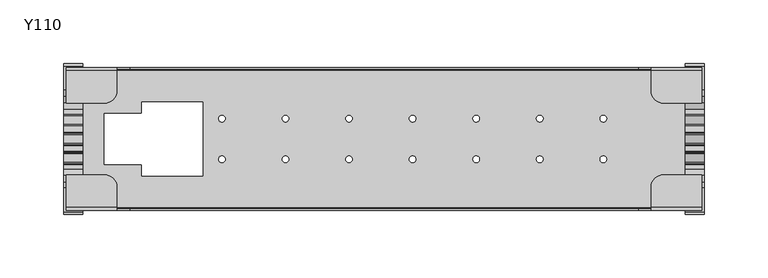
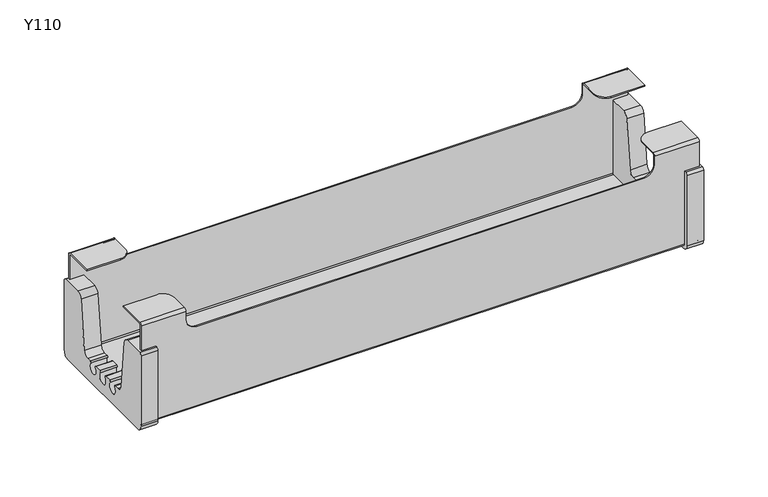
"""IFC4 building model written with IfcOpenShell, lengths in millimetres: furniture geometry, Y110."""

from ifc_helpers import new_model, si_unit, point, frame, frame_2d, origin, place, context, project, spatial, polyline, circle_curve, trimmed, segment, composite_curve, outline, extrude, source, transform, mapped, element, save
from ifc_brep_helpers import plane_surface, cylinder_surface, revolved_surface, advanced_brep


def y110_787002ab(model_context):
    return source(origin(), model_context, "Body", "SolidModel", [
        extrude(outline(composite_curve([segment(trimmed(circle_curve(frame_2d((-38.7033626, 66.0)), 5.0), [point((-38.7033626, 71.0))], [point((-33.7366705, 66.5761676))], False, "CARTESIAN"), True, "CONTINUOUS"), segment(polyline([(-33.7366705, 66.5761676), (-28.4523121, 21.0238324)]), True, "CONTINUOUS"), segment(trimmed(circle_curve(frame_2d((-23.48562, 21.6)), 5.0), [point((-28.4523121, 21.0238324))], [point((-23.48562, 16.6))], True, "CARTESIAN"), True, "CONTINUOUS"), segment(polyline([(-23.48562, 16.6), (-19.5, 16.6)]), True, "CONTINUOUS"), segment(trimmed(circle_curve(frame_2d((-19.5, 15.6)), 1.0), [point((-19.5, 16.6))], [point((-18.75, 14.9385622))], False, "CARTESIAN"), True, "CONTINUOUS"), segment(trimmed(circle_curve(frame_2d((-15.0, 11.631373)), 5.0), [point((-18.75, 14.9385622))], [point((-11.25, 14.9385622))], True, "CARTESIAN"), True, "CONTINUOUS"), segment(trimmed(circle_curve(frame_2d((-10.5, 15.6)), 1.0), [point((-11.25, 14.9385622))], [point((-10.5, 16.6))], False, "CARTESIAN"), True, "CONTINUOUS"), segment(polyline([(-10.5, 16.6), (-4.5, 16.6)]), True, "CONTINUOUS"), segment(trimmed(circle_curve(frame_2d((-4.5, 15.6)), 1.0), [point((-4.5, 16.6))], [point((-3.75, 14.9385622))], False, "CARTESIAN"), True, "CONTINUOUS"), segment(trimmed(circle_curve(frame_2d((0.0, 11.631373)), 5.0), [point((-3.75, 14.9385622))], [point((3.75, 14.9385622))], True, "CARTESIAN"), True, "CONTINUOUS"), segment(trimmed(circle_curve(frame_2d((4.5, 15.6)), 1.0), [point((3.75, 14.9385622))], [point((4.5, 16.6))], False, "CARTESIAN"), True, "CONTINUOUS"), segment(polyline([(4.5, 16.6), (10.5, 16.6)]), True, "CONTINUOUS"), segment(trimmed(circle_curve(frame_2d((10.5, 15.6)), 1.0), [point((10.5, 16.6))], [point((11.25, 14.9385622))], False, "CARTESIAN"), True, "CONTINUOUS"), segment(trimmed(circle_curve(frame_2d((15.0, 11.631373)), 5.0), [point((11.25, 14.9385622))], [point((18.75, 14.9385622))], True, "CARTESIAN"), True, "CONTINUOUS"), segment(trimmed(circle_curve(frame_2d((19.5, 15.6)), 1.0), [point((18.75, 14.9385622))], [point((19.5, 16.6))], False, "CARTESIAN"), True, "CONTINUOUS"), segment(polyline([(19.5, 16.6), (23.48562, 16.6)]), True, "CONTINUOUS"), segment(trimmed(circle_curve(frame_2d((23.48562, 21.6)), 5.0), [point((23.48562, 16.6))], [point((28.4523121, 21.0238324))], True, "CARTESIAN"), True, "CONTINUOUS"), segment(polyline([(28.4523121, 21.0238324), (33.7366705, 66.5761676)]), True, "CONTINUOUS"), segment(trimmed(circle_curve(frame_2d((38.7033626, 66.0)), 5.0), [point((33.7366705, 66.5761676))], [point((38.7033626, 71.0))], False, "CARTESIAN"), True, "CONTINUOUS"), segment(polyline([(38.7033626, 71.0), (57.45, 71.0)]), True, "CONTINUOUS"), segment(trimmed(circle_curve(frame_2d((57.45, 69.0)), 2.0), [point((57.45, 71.0))], [point((59.45, 69.0))], False, "CARTESIAN"), True, "CONTINUOUS"), segment(polyline([(59.45, 69.0), (59.45, 2.2)]), True, "CONTINUOUS"), segment(trimmed(circle_curve(frame_2d((54.05, 2.2)), 5.4), [point((59.45, 2.2))], [point((54.05, -3.2))], False, "CARTESIAN"), True, "CONTINUOUS"), segment(polyline([(54.05, -3.2), (-54.05, -3.2)]), True, "CONTINUOUS"), segment(trimmed(circle_curve(frame_2d((-54.05, 2.2)), 5.4), [point((-54.05, -3.2))], [point((-59.45, 2.2))], False, "CARTESIAN"), True, "CONTINUOUS"), segment(polyline([(-59.45, 2.2), (-59.45, 69.0)]), True, "CONTINUOUS"), segment(trimmed(circle_curve(frame_2d((-57.45, 69.0)), 2.0), [point((-59.45, 69.0))], [point((-57.45, 71.0))], False, "CARTESIAN"), True, "CONTINUOUS"), segment(polyline([(-57.45, 71.0), (-38.7033626, 71.0)]), True, "CONTINUOUS")], self_intersect=False)), frame((-252.0, 0.0, 0.0), z_axis=(1.0, 0.0, 0.0), x_axis=(0.0, 1.0, 0.0)), (0.0, 0.0, 1.0), 15.0),
        extrude(outline(composite_curve([segment(trimmed(circle_curve(frame_2d((-38.7033626, 66.0)), 5.0), [point((-38.7033626, 71.0))], [point((-33.7366705, 66.5761676))], False, "CARTESIAN"), True, "CONTINUOUS"), segment(polyline([(-33.7366705, 66.5761676), (-28.4523121, 21.0238324)]), True, "CONTINUOUS"), segment(trimmed(circle_curve(frame_2d((-23.48562, 21.6)), 5.0), [point((-28.4523121, 21.0238324))], [point((-23.48562, 16.6))], True, "CARTESIAN"), True, "CONTINUOUS"), segment(polyline([(-23.48562, 16.6), (-19.5, 16.6)]), True, "CONTINUOUS"), segment(trimmed(circle_curve(frame_2d((-19.5, 15.6)), 1.0), [point((-19.5, 16.6))], [point((-18.75, 14.9385622))], False, "CARTESIAN"), True, "CONTINUOUS"), segment(trimmed(circle_curve(frame_2d((-15.0, 11.631373)), 5.0), [point((-18.75, 14.9385622))], [point((-11.25, 14.9385622))], True, "CARTESIAN"), True, "CONTINUOUS"), segment(trimmed(circle_curve(frame_2d((-10.5, 15.6)), 1.0), [point((-11.25, 14.9385622))], [point((-10.5, 16.6))], False, "CARTESIAN"), True, "CONTINUOUS"), segment(polyline([(-10.5, 16.6), (-4.5, 16.6)]), True, "CONTINUOUS"), segment(trimmed(circle_curve(frame_2d((-4.5, 15.6)), 1.0), [point((-4.5, 16.6))], [point((-3.75, 14.9385622))], False, "CARTESIAN"), True, "CONTINUOUS"), segment(trimmed(circle_curve(frame_2d((0.0, 11.631373)), 5.0), [point((-3.75, 14.9385622))], [point((3.75, 14.9385622))], True, "CARTESIAN"), True, "CONTINUOUS"), segment(trimmed(circle_curve(frame_2d((4.5, 15.6)), 1.0), [point((3.75, 14.9385622))], [point((4.5, 16.6))], False, "CARTESIAN"), True, "CONTINUOUS"), segment(polyline([(4.5, 16.6), (10.5, 16.6)]), True, "CONTINUOUS"), segment(trimmed(circle_curve(frame_2d((10.5, 15.6)), 1.0), [point((10.5, 16.6))], [point((11.25, 14.9385622))], False, "CARTESIAN"), True, "CONTINUOUS"), segment(trimmed(circle_curve(frame_2d((15.0, 11.631373)), 5.0), [point((11.25, 14.9385622))], [point((18.75, 14.9385622))], True, "CARTESIAN"), True, "CONTINUOUS"), segment(trimmed(circle_curve(frame_2d((19.5, 15.6)), 1.0), [point((18.75, 14.9385622))], [point((19.5, 16.6))], False, "CARTESIAN"), True, "CONTINUOUS"), segment(polyline([(19.5, 16.6), (23.48562, 16.6)]), True, "CONTINUOUS"), segment(trimmed(circle_curve(frame_2d((23.48562, 21.6)), 5.0), [point((23.48562, 16.6))], [point((28.4523121, 21.0238324))], True, "CARTESIAN"), True, "CONTINUOUS"), segment(polyline([(28.4523121, 21.0238324), (33.7366705, 66.5761676)]), True, "CONTINUOUS"), segment(trimmed(circle_curve(frame_2d((38.7033626, 66.0)), 5.0), [point((33.7366705, 66.5761676))], [point((38.7033626, 71.0))], False, "CARTESIAN"), True, "CONTINUOUS"), segment(polyline([(38.7033626, 71.0), (57.45, 71.0)]), True, "CONTINUOUS"), segment(trimmed(circle_curve(frame_2d((57.45, 69.0)), 2.0), [point((57.45, 71.0))], [point((59.45, 69.0))], False, "CARTESIAN"), True, "CONTINUOUS"), segment(polyline([(59.45, 69.0), (59.45, 2.2)]), True, "CONTINUOUS"), segment(trimmed(circle_curve(frame_2d((54.05, 2.2)), 5.4), [point((59.45, 2.2))], [point((54.05, -3.2))], False, "CARTESIAN"), True, "CONTINUOUS"), segment(polyline([(54.05, -3.2), (-54.05, -3.2)]), True, "CONTINUOUS"), segment(trimmed(circle_curve(frame_2d((-54.05, 2.2)), 5.4), [point((-54.05, -3.2))], [point((-59.45, 2.2))], False, "CARTESIAN"), True, "CONTINUOUS"), segment(polyline([(-59.45, 2.2), (-59.45, 69.0)]), True, "CONTINUOUS"), segment(trimmed(circle_curve(frame_2d((-57.45, 69.0)), 2.0), [point((-59.45, 69.0))], [point((-57.45, 71.0))], False, "CARTESIAN"), True, "CONTINUOUS"), segment(polyline([(-57.45, 71.0), (-38.7033626, 71.0)]), True, "CONTINUOUS")], self_intersect=False)), frame((237.0, 0.0, 0.0), z_axis=(1.0, 0.0, 0.0), x_axis=(0.0, 1.0, 0.0)), (0.0, 0.0, 1.0), 15.0),
        advanced_brep(
        [(250.0, -54.05, 97.0), (250.0, -56.25, 94.8), (250.0, -56.25, 2.2), (250.0, -54.05, 0.0), (250.0, 54.05, 0.0), (250.0, 56.25, 2.2), (250.0, 56.25, 94.8), (250.0, 54.05, 97.0), (250.0, 28.25, 97.0), (250.0, 28.25, 95.8), (250.0, 54.05, 95.8), (250.0, 55.05, 94.8), (250.0, 55.05, 2.2), (250.0, 54.05, 1.2), (250.0, -54.05, 1.2), (250.0, -55.05, 2.2), (250.0, -55.05, 94.8), (250.0, -54.05, 95.8), (250.0, -28.25, 95.8), (250.0, -28.25, 97.0), (-250.0, -54.05, 97.0), (-250.0, -28.25, 97.0), (-250.0, -28.25, 95.8), (-250.0, -54.05, 95.8), (-250.0, -55.05, 94.8), (-250.0, -55.05, 2.2), (-250.0, -54.05, 1.2), (-250.0, 54.05, 1.2), (-250.0, 55.05, 2.2), (-250.0, 55.05, 94.8), (-250.0, 54.05, 95.8), (-250.0, 28.25, 95.8), (-250.0, 28.25, 97.0), (-250.0, 54.05, 97.0), (-250.0, 56.25, 94.8), (-250.0, 56.25, 2.2), (-250.0, 54.05, 0.0), (-250.0, -54.05, 0.0), (-250.0, -56.25, 2.2), (-250.0, -56.25, 94.8), (210.0, -54.05, 97.0), (210.0, -56.25, 94.8), (-210.0, -56.25, 94.8), (-210.0, -54.05, 97.0), (210.0, -56.25, 87.0), (200.0, -56.25, 77.0), (-200.0, -56.25, 77.0), (-210.0, -56.25, 87.0), (-190.5, 20.0, 0.0), (-220.0, 20.0, 0.0), (-220.0, -20.0, 0.0), (-190.5, -20.0, 0.0), (-190.5, -29.0, 0.0), (-142.5, -29.0, 0.0), (-142.5, 29.0, 0.0), (-190.5, 29.0, 0.0), (-127.5, 18.6, 0.0), (-127.5, 13.4, 0.0), (-127.5, -13.4, 0.0), (-127.5, -18.6, 0.0), (-77.5, 18.6, 0.0), (-77.5, 13.4, 0.0), (-77.5, -13.4, 0.0), (-77.5, -18.6, 0.0), (-27.5, 18.6, 0.0), (-27.5, 13.4, 0.0), (-27.5, -13.4, 0.0), (-27.5, -18.6, 0.0), (22.5, 18.6, 0.0), (22.5, 13.4, 0.0), (22.5, -13.4, 0.0), (22.5, -18.6, 0.0), (72.5, 18.6, 0.0), (72.5, 13.4, 0.0), (72.5, -13.4, 0.0), (72.5, -18.6, 0.0), (122.5, 18.6, 0.0), (122.5, 13.4, 0.0), (122.5, -13.4, 0.0), (122.5, -18.6, 0.0), (172.5, 18.6, 0.0), (172.5, 13.4, 0.0), (172.5, -13.4, 0.0), (172.5, -18.6, 0.0), (-210.0, 56.25, 94.8), (-210.0, 56.25, 87.0), (-200.0, 56.25, 77.0), (200.0, 56.25, 77.0), (210.0, 56.25, 87.0), (210.0, 56.25, 94.8), (210.0, 54.05, 97.0), (-210.0, 54.05, 97.0), (210.0, 38.25, 97.0), (220.0, 28.25, 97.0), (-220.0, 28.25, 97.0), (-210.0, 38.25, 97.0), (220.0, 28.25, 95.8), (-220.0, 28.25, 95.8), (210.0, 38.25, 95.8), (210.0, 54.05, 95.8), (-210.0, 54.05, 95.8), (-210.0, 38.25, 95.8), (210.0, 55.05, 94.8), (-210.0, 55.05, 94.8), (210.0, 55.05, 87.0), (200.0, 55.05, 77.0), (-200.0, 55.05, 77.0), (-210.0, 55.05, 87.0), (-220.0, 20.0, 1.2), (-190.5, 20.0, 1.2), (-190.5, 29.0, 1.2), (-142.5, 29.0, 1.2), (-142.5, -29.0, 1.2), (-190.5, -29.0, 1.2), (-190.5, -20.0, 1.2), (-220.0, -20.0, 1.2), (-127.5, 13.4, 1.2), (-127.5, 18.6, 1.2), (-127.5, -18.6, 1.2), (-127.5, -13.4, 1.2), (-77.5, 13.4, 1.2), (-77.5, 18.6, 1.2), (-77.5, -18.6, 1.2), (-77.5, -13.4, 1.2), (-27.5, 13.4, 1.2), (-27.5, 18.6, 1.2), (-27.5, -18.6, 1.2), (-27.5, -13.4, 1.2), (22.5, 13.4, 1.2), (22.5, 18.6, 1.2), (22.5, -18.6, 1.2), (22.5, -13.4, 1.2), (72.5, 13.4, 1.2), (72.5, 18.6, 1.2), (72.5, -18.6, 1.2), (72.5, -13.4, 1.2), (122.5, 13.4, 1.2), (122.5, 18.6, 1.2), (122.5, -18.6, 1.2), (122.5, -13.4, 1.2), (172.5, 13.4, 1.2), (172.5, 18.6, 1.2), (172.5, -18.6, 1.2), (172.5, -13.4, 1.2), (-210.0, -55.05, 94.8), (-210.0, -55.05, 87.0), (-200.0, -55.05, 77.0), (200.0, -55.05, 77.0), (210.0, -55.05, 87.0), (210.0, -55.05, 94.8), (210.0, -54.05, 95.8), (-210.0, -54.05, 95.8), (210.0, -38.25, 95.8), (220.0, -28.25, 95.8), (-220.0, -28.25, 95.8), (-210.0, -38.25, 95.8), (220.0, -28.25, 97.0), (-220.0, -28.25, 97.0), (210.0, -38.25, 97.0), (-210.0, -38.25, 97.0)],
        [
            (0, 1, circle_curve(frame((250.0, -54.05, 94.8), z_axis=(1.0, 0.0, 0.0), x_axis=(0.0, 1.0, 0.0)), 2.2)),
            (1, 2),
            (2, 3, circle_curve(frame((250.0, -54.05, 2.2), z_axis=(1.0, 0.0, 0.0), x_axis=(0.0, 1.0, 0.0)), 2.2)),
            (3, 4),
            (4, 5, circle_curve(frame((250.0, 54.05, 2.2), z_axis=(1.0, 0.0, 0.0), x_axis=(0.0, 1.0, 0.0)), 2.2)),
            (5, 6),
            (6, 7, circle_curve(frame((250.0, 54.05, 94.8), z_axis=(1.0, 0.0, 0.0), x_axis=(0.0, 1.0, 0.0)), 2.2)),
            (7, 8),
            (8, 9),
            (9, 10),
            (10, 11, circle_curve(frame((250.0, 54.05, 94.8), z_axis=(-1.0, 0.0, 0.0), x_axis=(0.0, 1.0, 0.0)), 1.0)),
            (11, 12),
            (12, 13, circle_curve(frame((250.0, 54.05, 2.2), z_axis=(-1.0, 0.0, 0.0), x_axis=(0.0, 1.0, 0.0)), 1.0)),
            (13, 14),
            (14, 15, circle_curve(frame((250.0, -54.05, 2.2), z_axis=(-1.0, 0.0, 0.0), x_axis=(0.0, 1.0, 0.0)), 1.0)),
            (15, 16),
            (16, 17, circle_curve(frame((250.0, -54.05, 94.8), z_axis=(-1.0, 0.0, 0.0), x_axis=(0.0, 1.0, 0.0)), 1.0)),
            (17, 18),
            (18, 19),
            (19, 0),
            (20, 21),
            (21, 22),
            (22, 23),
            (23, 24, circle_curve(frame((-250.0, -54.05, 94.8), z_axis=(1.0, 0.0, 0.0), x_axis=(0.0, 1.0, 0.0)), 1.0)),
            (24, 25),
            (25, 26, circle_curve(frame((-250.0, -54.05, 2.2), z_axis=(1.0, 0.0, 0.0), x_axis=(0.0, 1.0, 0.0)), 1.0)),
            (26, 27),
            (27, 28, circle_curve(frame((-250.0, 54.05, 2.2), z_axis=(1.0, 0.0, 0.0), x_axis=(0.0, 1.0, 0.0)), 1.0)),
            (28, 29),
            (29, 30, circle_curve(frame((-250.0, 54.05, 94.8), z_axis=(1.0, 0.0, 0.0), x_axis=(0.0, 1.0, 0.0)), 1.0)),
            (30, 31),
            (31, 32),
            (32, 33),
            (33, 34, circle_curve(frame((-250.0, 54.05, 94.8), z_axis=(-1.0, 0.0, 0.0), x_axis=(0.0, 1.0, 0.0)), 2.2)),
            (34, 35),
            (35, 36, circle_curve(frame((-250.0, 54.05, 2.2), z_axis=(-1.0, 0.0, 0.0), x_axis=(0.0, 1.0, 0.0)), 2.2)),
            (36, 37),
            (37, 38, circle_curve(frame((-250.0, -54.05, 2.2), z_axis=(-1.0, 0.0, 0.0), x_axis=(0.0, 1.0, 0.0)), 2.2)),
            (38, 39),
            (39, 20, circle_curve(frame((-250.0, -54.05, 94.8), z_axis=(-1.0, 0.0, 0.0), x_axis=(0.0, 1.0, 0.0)), 2.2)),
            (0, 40),
            (40, 41, circle_curve(frame((210.0, -54.05, 94.8), z_axis=(1.0, 0.0, 0.0), x_axis=(0.0, 1.0, 0.0)), 2.2)),
            (41, 1),
            (39, 42),
            (42, 43, circle_curve(frame((-210.0, -54.05, 94.8), z_axis=(-1.0, 0.0, 0.0), x_axis=(0.0, 1.0, 0.0)), 2.2)),
            (43, 20),
            (41, 44),
            (44, 45, circle_curve(frame((200.0, -56.25, 87.0), z_axis=(0.0, 1.0, 0.0), x_axis=(1.0, 0.0, 0.0)), 10.0)),
            (45, 46),
            (46, 47, circle_curve(frame((-200.0, -56.25, 87.0), z_axis=(0.0, 1.0, 0.0), x_axis=(1.0, 0.0, 0.0)), 10.0)),
            (47, 42),
            (38, 2),
            (37, 3),
            (36, 4),
            (48, 49),
            (49, 50),
            (50, 51),
            (51, 52),
            (52, 53),
            (53, 54),
            (54, 55),
            (55, 48),
            (56, 57, circle_curve(frame((-127.5, 16.0, 0.0), z_axis=(0.0, 0.0, 1.0), x_axis=(0.0, -1.0, 0.0)), 2.6)),
            (57, 56, circle_curve(frame((-127.5, 16.0, 0.0), z_axis=(0.0, 0.0, 1.0), x_axis=(0.0, -1.0, 0.0)), 2.6)),
            (58, 59, circle_curve(frame((-127.5, -16.0, 0.0), z_axis=(0.0, 0.0, 1.0), x_axis=(0.0, -1.0, 0.0)), 2.6)),
            (59, 58, circle_curve(frame((-127.5, -16.0, 0.0), z_axis=(0.0, 0.0, 1.0), x_axis=(0.0, -1.0, 0.0)), 2.6)),
            (60, 61, circle_curve(frame((-77.5, 16.0, 0.0), z_axis=(0.0, 0.0, 1.0), x_axis=(0.0, -1.0, 0.0)), 2.6)),
            (61, 60, circle_curve(frame((-77.5, 16.0, 0.0), z_axis=(0.0, 0.0, 1.0), x_axis=(0.0, -1.0, 0.0)), 2.6)),
            (62, 63, circle_curve(frame((-77.5, -16.0, 0.0), z_axis=(0.0, 0.0, 1.0), x_axis=(0.0, -1.0, 0.0)), 2.6)),
            (63, 62, circle_curve(frame((-77.5, -16.0, 0.0), z_axis=(0.0, 0.0, 1.0), x_axis=(0.0, -1.0, 0.0)), 2.6)),
            (64, 65, circle_curve(frame((-27.5, 16.0, 0.0), z_axis=(0.0, 0.0, 1.0), x_axis=(0.0, -1.0, 0.0)), 2.6)),
            (65, 64, circle_curve(frame((-27.5, 16.0, 0.0), z_axis=(0.0, 0.0, 1.0), x_axis=(0.0, -1.0, 0.0)), 2.6)),
            (66, 67, circle_curve(frame((-27.5, -16.0, 0.0), z_axis=(0.0, 0.0, 1.0), x_axis=(0.0, -1.0, 0.0)), 2.6)),
            (67, 66, circle_curve(frame((-27.5, -16.0, 0.0), z_axis=(0.0, 0.0, 1.0), x_axis=(0.0, -1.0, 0.0)), 2.6)),
            (68, 69, circle_curve(frame((22.5, 16.0, 0.0), z_axis=(0.0, 0.0, 1.0), x_axis=(0.0, -1.0, 0.0)), 2.6)),
            (69, 68, circle_curve(frame((22.5, 16.0, 0.0), z_axis=(0.0, 0.0, 1.0), x_axis=(0.0, -1.0, 0.0)), 2.6)),
            (70, 71, circle_curve(frame((22.5, -16.0, 0.0), z_axis=(0.0, 0.0, 1.0), x_axis=(0.0, -1.0, 0.0)), 2.6)),
            (71, 70, circle_curve(frame((22.5, -16.0, 0.0), z_axis=(0.0, 0.0, 1.0), x_axis=(0.0, -1.0, 0.0)), 2.6)),
            (72, 73, circle_curve(frame((72.5, 16.0, 0.0), z_axis=(0.0, 0.0, 1.0), x_axis=(0.0, -1.0, 0.0)), 2.6)),
            (73, 72, circle_curve(frame((72.5, 16.0, 0.0), z_axis=(0.0, 0.0, 1.0), x_axis=(0.0, -1.0, 0.0)), 2.6)),
            (74, 75, circle_curve(frame((72.5, -16.0, 0.0), z_axis=(0.0, 0.0, 1.0), x_axis=(0.0, -1.0, 0.0)), 2.6)),
            (75, 74, circle_curve(frame((72.5, -16.0, 0.0), z_axis=(0.0, 0.0, 1.0), x_axis=(0.0, -1.0, 0.0)), 2.6)),
            (76, 77, circle_curve(frame((122.5, 16.0, 0.0), z_axis=(0.0, 0.0, 1.0), x_axis=(0.0, -1.0, 0.0)), 2.6)),
            (77, 76, circle_curve(frame((122.5, 16.0, 0.0), z_axis=(0.0, 0.0, 1.0), x_axis=(0.0, -1.0, 0.0)), 2.6)),
            (78, 79, circle_curve(frame((122.5, -16.0, 0.0), z_axis=(0.0, 0.0, 1.0), x_axis=(0.0, -1.0, 0.0)), 2.6)),
            (79, 78, circle_curve(frame((122.5, -16.0, 0.0), z_axis=(0.0, 0.0, 1.0), x_axis=(0.0, -1.0, 0.0)), 2.6)),
            (80, 81, circle_curve(frame((172.5, 16.0, 0.0), z_axis=(0.0, 0.0, 1.0), x_axis=(0.0, -1.0, 0.0)), 2.6)),
            (81, 80, circle_curve(frame((172.5, 16.0, 0.0), z_axis=(0.0, 0.0, 1.0), x_axis=(0.0, -1.0, 0.0)), 2.6)),
            (82, 83, circle_curve(frame((172.5, -16.0, 0.0), z_axis=(0.0, 0.0, 1.0), x_axis=(0.0, -1.0, 0.0)), 2.6)),
            (83, 82, circle_curve(frame((172.5, -16.0, 0.0), z_axis=(0.0, 0.0, 1.0), x_axis=(0.0, -1.0, 0.0)), 2.6)),
            (35, 5),
            (34, 84),
            (84, 85),
            (85, 86, circle_curve(frame((-200.0, 56.25, 87.0), z_axis=(0.0, -1.0, 0.0), x_axis=(1.0, 0.0, 0.0)), 10.0)),
            (86, 87),
            (87, 88, circle_curve(frame((200.0, 56.25, 87.0), z_axis=(0.0, -1.0, 0.0), x_axis=(1.0, 0.0, 0.0)), 10.0)),
            (88, 89),
            (89, 6),
            (89, 90, circle_curve(frame((210.0, 54.05, 94.8), z_axis=(1.0, 0.0, 0.0), x_axis=(0.0, 1.0, 0.0)), 2.2)),
            (90, 7),
            (33, 91),
            (91, 84, circle_curve(frame((-210.0, 54.05, 94.8), z_axis=(-1.0, 0.0, 0.0), x_axis=(0.0, 1.0, 0.0)), 2.2)),
            (90, 92),
            (92, 93, circle_curve(frame((220.0, 38.25, 97.0), z_axis=(0.0, 0.0, 1.0), x_axis=(0.0, -1.0, 0.0)), 10.0)),
            (93, 8),
            (32, 94),
            (94, 95, circle_curve(frame((-220.0, 38.25, 97.0), z_axis=(0.0, 0.0, 1.0), x_axis=(0.0, -1.0, 0.0)), 10.0)),
            (95, 91),
            (93, 96),
            (96, 9),
            (31, 97),
            (97, 94),
            (96, 98, circle_curve(frame((220.0, 38.25, 95.8), z_axis=(0.0, 0.0, -1.0), x_axis=(0.0, -1.0, 0.0)), 10.0)),
            (98, 99),
            (99, 10),
            (30, 100),
            (100, 101),
            (101, 97, circle_curve(frame((-220.0, 38.25, 95.8), z_axis=(0.0, 0.0, -1.0), x_axis=(0.0, -1.0, 0.0)), 10.0)),
            (99, 102, circle_curve(frame((210.0, 54.05, 94.8), z_axis=(-1.0, 0.0, 0.0), x_axis=(0.0, 1.0, 0.0)), 1.0)),
            (102, 11),
            (29, 103),
            (103, 100, circle_curve(frame((-210.0, 54.05, 94.8), z_axis=(1.0, 0.0, 0.0), x_axis=(0.0, 1.0, 0.0)), 1.0)),
            (102, 104),
            (104, 105, circle_curve(frame((200.0, 55.05, 87.0), z_axis=(0.0, 1.0, 0.0), x_axis=(1.0, 0.0, 0.0)), 10.0)),
            (105, 106),
            (106, 107, circle_curve(frame((-200.0, 55.05, 87.0), z_axis=(0.0, 1.0, 0.0), x_axis=(1.0, 0.0, 0.0)), 10.0)),
            (107, 103),
            (28, 12),
            (27, 13),
            (26, 14),
            (108, 109),
            (109, 110),
            (110, 111),
            (111, 112),
            (112, 113),
            (113, 114),
            (114, 115),
            (115, 108),
            (116, 117, circle_curve(frame((-127.5, 16.0, 1.2), z_axis=(0.0, 0.0, -1.0), x_axis=(0.0, -1.0, 0.0)), 2.6)),
            (117, 116, circle_curve(frame((-127.5, 16.0, 1.2), z_axis=(0.0, 0.0, -1.0), x_axis=(0.0, -1.0, 0.0)), 2.6)),
            (118, 119, circle_curve(frame((-127.5, -16.0, 1.2), z_axis=(0.0, 0.0, -1.0), x_axis=(0.0, -1.0, 0.0)), 2.6)),
            (119, 118, circle_curve(frame((-127.5, -16.0, 1.2), z_axis=(0.0, 0.0, -1.0), x_axis=(0.0, -1.0, 0.0)), 2.6)),
            (120, 121, circle_curve(frame((-77.5, 16.0, 1.2), z_axis=(0.0, 0.0, -1.0), x_axis=(0.0, -1.0, 0.0)), 2.6)),
            (121, 120, circle_curve(frame((-77.5, 16.0, 1.2), z_axis=(0.0, 0.0, -1.0), x_axis=(0.0, -1.0, 0.0)), 2.6)),
            (122, 123, circle_curve(frame((-77.5, -16.0, 1.2), z_axis=(0.0, 0.0, -1.0), x_axis=(0.0, -1.0, 0.0)), 2.6)),
            (123, 122, circle_curve(frame((-77.5, -16.0, 1.2), z_axis=(0.0, 0.0, -1.0), x_axis=(0.0, -1.0, 0.0)), 2.6)),
            (124, 125, circle_curve(frame((-27.5, 16.0, 1.2), z_axis=(0.0, 0.0, -1.0), x_axis=(0.0, -1.0, 0.0)), 2.6)),
            (125, 124, circle_curve(frame((-27.5, 16.0, 1.2), z_axis=(0.0, 0.0, -1.0), x_axis=(0.0, -1.0, 0.0)), 2.6)),
            (126, 127, circle_curve(frame((-27.5, -16.0, 1.2), z_axis=(0.0, 0.0, -1.0), x_axis=(0.0, -1.0, 0.0)), 2.6)),
            (127, 126, circle_curve(frame((-27.5, -16.0, 1.2), z_axis=(0.0, 0.0, -1.0), x_axis=(0.0, -1.0, 0.0)), 2.6)),
            (128, 129, circle_curve(frame((22.5, 16.0, 1.2), z_axis=(0.0, 0.0, -1.0), x_axis=(0.0, -1.0, 0.0)), 2.6)),
            (129, 128, circle_curve(frame((22.5, 16.0, 1.2), z_axis=(0.0, 0.0, -1.0), x_axis=(0.0, -1.0, 0.0)), 2.6)),
            (130, 131, circle_curve(frame((22.5, -16.0, 1.2), z_axis=(0.0, 0.0, -1.0), x_axis=(0.0, -1.0, 0.0)), 2.6)),
            (131, 130, circle_curve(frame((22.5, -16.0, 1.2), z_axis=(0.0, 0.0, -1.0), x_axis=(0.0, -1.0, 0.0)), 2.6)),
            (132, 133, circle_curve(frame((72.5, 16.0, 1.2), z_axis=(0.0, 0.0, -1.0), x_axis=(0.0, -1.0, 0.0)), 2.6)),
            (133, 132, circle_curve(frame((72.5, 16.0, 1.2), z_axis=(0.0, 0.0, -1.0), x_axis=(0.0, -1.0, 0.0)), 2.6)),
            (134, 135, circle_curve(frame((72.5, -16.0, 1.2), z_axis=(0.0, 0.0, -1.0), x_axis=(0.0, -1.0, 0.0)), 2.6)),
            (135, 134, circle_curve(frame((72.5, -16.0, 1.2), z_axis=(0.0, 0.0, -1.0), x_axis=(0.0, -1.0, 0.0)), 2.6)),
            (136, 137, circle_curve(frame((122.5, 16.0, 1.2), z_axis=(0.0, 0.0, -1.0), x_axis=(0.0, -1.0, 0.0)), 2.6)),
            (137, 136, circle_curve(frame((122.5, 16.0, 1.2), z_axis=(0.0, 0.0, -1.0), x_axis=(0.0, -1.0, 0.0)), 2.6)),
            (138, 139, circle_curve(frame((122.5, -16.0, 1.2), z_axis=(0.0, 0.0, -1.0), x_axis=(0.0, -1.0, 0.0)), 2.6)),
            (139, 138, circle_curve(frame((122.5, -16.0, 1.2), z_axis=(0.0, 0.0, -1.0), x_axis=(0.0, -1.0, 0.0)), 2.6)),
            (140, 141, circle_curve(frame((172.5, 16.0, 1.2), z_axis=(0.0, 0.0, -1.0), x_axis=(0.0, -1.0, 0.0)), 2.6)),
            (141, 140, circle_curve(frame((172.5, 16.0, 1.2), z_axis=(0.0, 0.0, -1.0), x_axis=(0.0, -1.0, 0.0)), 2.6)),
            (142, 143, circle_curve(frame((172.5, -16.0, 1.2), z_axis=(0.0, 0.0, -1.0), x_axis=(0.0, -1.0, 0.0)), 2.6)),
            (143, 142, circle_curve(frame((172.5, -16.0, 1.2), z_axis=(0.0, 0.0, -1.0), x_axis=(0.0, -1.0, 0.0)), 2.6)),
            (25, 15),
            (24, 144),
            (144, 145),
            (145, 146, circle_curve(frame((-200.0, -55.05, 87.0), z_axis=(0.0, -1.0, 0.0), x_axis=(1.0, 0.0, 0.0)), 10.0)),
            (146, 147),
            (147, 148, circle_curve(frame((200.0, -55.05, 87.0), z_axis=(0.0, -1.0, 0.0), x_axis=(1.0, 0.0, 0.0)), 10.0)),
            (148, 149),
            (149, 16),
            (149, 150, circle_curve(frame((210.0, -54.05, 94.8), z_axis=(-1.0, 0.0, 0.0), x_axis=(0.0, 1.0, 0.0)), 1.0)),
            (150, 17),
            (23, 151),
            (151, 144, circle_curve(frame((-210.0, -54.05, 94.8), z_axis=(1.0, 0.0, 0.0), x_axis=(0.0, 1.0, 0.0)), 1.0)),
            (150, 152),
            (152, 153, circle_curve(frame((220.0, -38.25, 95.8), z_axis=(0.0, 0.0, -1.0), x_axis=(0.0, -1.0, 0.0)), 10.0)),
            (153, 18),
            (22, 154),
            (154, 155, circle_curve(frame((-220.0, -38.25, 95.8), z_axis=(0.0, 0.0, -1.0), x_axis=(0.0, -1.0, 0.0)), 10.0)),
            (155, 151),
            (153, 156),
            (156, 19),
            (21, 157),
            (157, 154),
            (156, 158, circle_curve(frame((220.0, -38.25, 97.0), z_axis=(0.0, 0.0, 1.0), x_axis=(0.0, -1.0, 0.0)), 10.0)),
            (158, 40),
            (43, 159),
            (159, 157, circle_curve(frame((-220.0, -38.25, 97.0), z_axis=(0.0, 0.0, 1.0), x_axis=(0.0, -1.0, 0.0)), 10.0)),
            (159, 155),
            (47, 145),
            (158, 152),
            (148, 44),
            (92, 98),
            (88, 104),
            (95, 101),
            (107, 85),
            (106, 86),
            (46, 146),
            (105, 87),
            (45, 147),
            (48, 109),
            (108, 49),
            (115, 50),
            (114, 51),
            (113, 52),
            (112, 53),
            (111, 54),
            (110, 55),
            (56, 117),
            (116, 57),
            (58, 119),
            (118, 59),
            (60, 121),
            (120, 61),
            (62, 123),
            (122, 63),
            (64, 125),
            (124, 65),
            (66, 127),
            (126, 67),
            (68, 129),
            (128, 69),
            (70, 131),
            (130, 71),
            (72, 133),
            (132, 73),
            (74, 135),
            (134, 75),
            (76, 137),
            (136, 77),
            (78, 139),
            (138, 79),
            (80, 141),
            (140, 81),
            (82, 143),
            (142, 83),
        ],
        [
            plane_surface(frame((250.0, -51.85, 94.8), z_axis=(1.0, 0.0, 0.0), x_axis=(0.0, 0.0, 1.0))),
            plane_surface(frame((-250.0, -51.85, 94.8), z_axis=(-1.0, 0.0, 0.0), x_axis=(0.0, 0.0, -1.0))),
            cylinder_surface(frame((-250.0, -54.05, 94.8), z_axis=(1.0, 0.0, 0.0), x_axis=(0.0, 1.0, 0.0)), 2.2),
            plane_surface(frame((250.0, -56.25, 94.8), z_axis=(0.0, -1.0, 0.0), x_axis=(-1.0, 0.0, 0.0))),
            cylinder_surface(frame((-250.0, -54.05, 2.2), z_axis=(1.0, 0.0, 0.0), x_axis=(0.0, 1.0, 0.0)), 2.2),
            plane_surface(frame((250.0, -54.05, 0.0), z_axis=(0.0, 0.0, -1.0), x_axis=(-1.0, 0.0, 0.0))),
            cylinder_surface(frame((-250.0, 54.05, 2.2), z_axis=(1.0, 0.0, 0.0), x_axis=(0.0, 1.0, 0.0)), 2.2),
            plane_surface(frame((250.0, 56.25, 2.2), z_axis=(0.0, 1.0, 0.0), x_axis=(-1.0, 0.0, 0.0))),
            cylinder_surface(frame((-250.0, 54.05, 94.8), z_axis=(1.0, 0.0, 0.0), x_axis=(0.0, 1.0, 0.0)), 2.2),
            plane_surface(frame((250.0, 54.05, 97.0), z_axis=(0.0, 0.0, 1.0), x_axis=(-1.0, 0.0, 0.0))),
            plane_surface(frame((250.0, 28.25, 97.0), z_axis=(0.0, -1.0, 0.0), x_axis=(-1.0, 0.0, 0.0))),
            plane_surface(frame((250.0, 28.25, 95.8), z_axis=(0.0, 0.0, -1.0), x_axis=(-1.0, 0.0, 0.0))),
            revolved_surface(polyline([(210.0, 55.05, 94.8), (250.0, 55.05, 94.8)]), (-250.0, 54.05, 94.8), (-1.0, 0.0, 0.0)),
            revolved_surface(polyline([(-250.0, 55.05, 94.8), (-210.0, 55.05, 94.8)]), (-250.0, 54.05, 94.8), (-1.0, 0.0, 0.0)),
            plane_surface(frame((250.0, 55.05, 94.8), z_axis=(0.0, -1.0, 0.0), x_axis=(-1.0, 0.0, 0.0))),
            revolved_surface(polyline([(-250.0, 55.05, 2.2), (250.0, 55.05, 2.2)]), (-250.0, 54.05, 2.2), (-1.0, 0.0, 0.0)),
            plane_surface(frame((250.0, 54.05, 1.2), z_axis=(0.0, 0.0, 1.0), x_axis=(-1.0, 0.0, 0.0))),
            revolved_surface(polyline([(-250.0, -53.05, 2.2), (250.0, -53.05, 2.2)]), (-250.0, -54.05, 2.2), (-1.0, 0.0, 0.0)),
            plane_surface(frame((250.0, -55.05, 2.2), z_axis=(0.0, 1.0, 0.0), x_axis=(-1.0, 0.0, 0.0))),
            revolved_surface(polyline([(210.0, -53.05, 94.8), (250.0, -53.05, 94.8)]), (-250.0, -54.05, 94.8), (-1.0, 0.0, 0.0)),
            revolved_surface(polyline([(-250.0, -53.05, 94.8), (-210.0, -53.05, 94.8)]), (-250.0, -54.05, 94.8), (-1.0, 0.0, 0.0)),
            plane_surface(frame((250.0, -54.05, 95.8), z_axis=(0.0, 0.0, -1.0), x_axis=(-1.0, 0.0, 0.0))),
            plane_surface(frame((250.0, -28.25, 95.8), z_axis=(0.0, 1.0, 0.0), x_axis=(-1.0, 0.0, 0.0))),
            plane_surface(frame((250.0, -28.25, 97.0), z_axis=(0.0, 0.0, 1.0), x_axis=(-1.0, 0.0, 0.0))),
            cylinder_surface(frame((-220.0, -38.25, 87.0), z_axis=(0.0, 0.0, -1.0), x_axis=(0.0, -1.0, 0.0)), 10.0),
            plane_surface(frame((-210.0, -38.25, 97.0), z_axis=(1.0, 0.0, 0.0), x_axis=(0.0, 0.0, -1.0))),
            plane_surface(frame((210.0, -56.25, 97.0), z_axis=(-1.0, 0.0, 0.0), x_axis=(0.0, 0.0, -1.0))),
            cylinder_surface(frame((220.0, -38.25, 87.0), z_axis=(0.0, 0.0, -1.0), x_axis=(0.0, -1.0, 0.0)), 10.0),
            cylinder_surface(frame((220.0, 38.25, 87.0), z_axis=(0.0, 0.0, -1.0), x_axis=(0.0, -1.0, 0.0)), 10.0),
            plane_surface(frame((210.0, 38.25, 97.0), z_axis=(-1.0, 0.0, 0.0), x_axis=(0.0, 0.0, -1.0))),
            plane_surface(frame((-210.0, 56.25, 97.0), z_axis=(1.0, 0.0, 0.0), x_axis=(0.0, 0.0, -1.0))),
            cylinder_surface(frame((-220.0, 38.25, 87.0), z_axis=(0.0, 0.0, -1.0), x_axis=(0.0, -1.0, 0.0)), 10.0),
            revolved_surface(polyline([(-190.0, 55.05, 87.0), (-190.0, 56.25, 87.0)]), (-200.0, 56.25, 87.0), (0.0, -1.0, 0.0)),
            revolved_surface(polyline([(-190.0, -56.25, 87.0), (-190.0, -55.05, 87.0)]), (-200.0, 56.25, 87.0), (0.0, -1.0, 0.0)),
            plane_surface(frame((-200.0, -56.25, 77.0), z_axis=(0.0, 0.0, 1.0), x_axis=(0.0, 1.0, 0.0))),
            revolved_surface(polyline([(210.0, 55.05, 87.0), (210.0, 56.25, 87.0)]), (200.0, 56.25, 87.0), (0.0, -1.0, 0.0)),
            revolved_surface(polyline([(210.0, -56.25, 87.0), (210.0, -55.05, 87.0)]), (200.0, 56.25, 87.0), (0.0, -1.0, 0.0)),
            plane_surface(frame((-190.5, 20.0, 1.2), z_axis=(0.0, -1.0, 0.0), x_axis=(0.0, 0.0, -1.0))),
            plane_surface(frame((-220.0, 20.0, 1.2), z_axis=(1.0, 0.0, 0.0), x_axis=(0.0, 0.0, -1.0))),
            plane_surface(frame((-220.0, -20.0, 1.2), z_axis=(0.0, 1.0, 0.0), x_axis=(0.0, 0.0, -1.0))),
            plane_surface(frame((-190.5, -20.0, 1.2), z_axis=(1.0, 0.0, 0.0), x_axis=(0.0, 0.0, -1.0))),
            plane_surface(frame((-190.5, -29.0, 1.2), z_axis=(0.0, 1.0, 0.0), x_axis=(0.0, 0.0, -1.0))),
            plane_surface(frame((-142.5, -29.0, 1.2), z_axis=(-1.0, 0.0, 0.0), x_axis=(0.0, 0.0, -1.0))),
            plane_surface(frame((-142.5, 29.0, 1.2), z_axis=(0.0, -1.0, 0.0), x_axis=(0.0, 0.0, -1.0))),
            plane_surface(frame((-190.5, 29.0, 1.2), z_axis=(1.0, 0.0, 0.0), x_axis=(0.0, 0.0, -1.0))),
            revolved_surface(polyline([(-127.5, 13.4, 1.1999999999999993), (-127.5, 13.4, 0.0)]), (-127.5, 16.0, -14.0), (0.0, 0.0, 1.0)),
            revolved_surface(polyline([(-127.5, -18.6, 1.1999999999999993), (-127.5, -18.6, 0.0)]), (-127.5, -16.0, 11.0), (0.0, 0.0, 1.0)),
            revolved_surface(polyline([(-77.5, 13.4, 1.1999999999999993), (-77.5, 13.4, 0.0)]), (-77.5, 16.0, 11.0), (0.0, 0.0, 1.0)),
            revolved_surface(polyline([(-77.5, -18.6, 1.1999999999999993), (-77.5, -18.6, 0.0)]), (-77.5, -16.0, 11.0), (0.0, 0.0, 1.0)),
            revolved_surface(polyline([(-27.5, 13.4, 1.1999999999999993), (-27.5, 13.4, 0.0)]), (-27.5, 16.0, 11.0), (0.0, 0.0, 1.0)),
            revolved_surface(polyline([(-27.5, -18.6, 1.1999999999999993), (-27.5, -18.6, 0.0)]), (-27.5, -16.0, 11.0), (0.0, 0.0, 1.0)),
            revolved_surface(polyline([(22.5, 13.4, 1.1999999999999993), (22.5, 13.4, 0.0)]), (22.5, 16.0, 11.0), (0.0, 0.0, 1.0)),
            revolved_surface(polyline([(22.5, -18.6, 1.1999999999999993), (22.5, -18.6, 0.0)]), (22.5, -16.0, 11.0), (0.0, 0.0, 1.0)),
            revolved_surface(polyline([(72.5, 13.4, 1.1999999999999993), (72.5, 13.4, 0.0)]), (72.5, 16.0, 11.0), (0.0, 0.0, 1.0)),
            revolved_surface(polyline([(72.5, -18.6, 1.1999999999999993), (72.5, -18.6, 0.0)]), (72.5, -16.0, 11.0), (0.0, 0.0, 1.0)),
            revolved_surface(polyline([(122.5, 13.4, 1.1999999999999993), (122.5, 13.4, 0.0)]), (122.5, 16.0, 11.0), (0.0, 0.0, 1.0)),
            revolved_surface(polyline([(122.5, -18.6, 1.1999999999999993), (122.5, -18.6, 0.0)]), (122.5, -16.0, 11.0), (0.0, 0.0, 1.0)),
            revolved_surface(polyline([(172.5, 13.4, 1.1999999999999993), (172.5, 13.4, 0.0)]), (172.5, 16.0, 11.0), (0.0, 0.0, 1.0)),
            revolved_surface(polyline([(172.5, -18.6, 1.1999999999999993), (172.5, -18.6, 0.0)]), (172.5, -16.0, 11.0), (0.0, 0.0, 1.0)),
        ],
        [
            (0, [[1, 2, 3, 4, 5, 6, 7, 8, 9, 10, 11, 12, 13, 14, 15, 16, 17, 18, 19, 20]]),
            (1, [[21, 22, 23, 24, 25, 26, 27, 28, 29, 30, 31, 32, 33, 34, 35, 36, 37, 38, 39, 40]]),
            (2, [[-1, 41, 42, 43]]),
            (2, [[-40, 44, 45, 46]]),
            (3, [[-2, -43, 47, 48, 49, 50, 51, -44, -39, 52]]),
            (4, [[-3, -52, -38, 53]]),
            (5, [[-4, -53, -37, 54], [55, 56, 57, 58, 59, 60, 61, 62], [63, 64], [65, 66], [67, 68], [69, 70], [71, 72], [73, 74], [75, 76], [77, 78], [79, 80], [81, 82], [83, 84], [85, 86], [87, 88], [89, 90]]),
            (6, [[-5, -54, -36, 91]]),
            (7, [[-6, -91, -35, 92, 93, 94, 95, 96, 97, 98]]),
            (8, [[-7, -98, 99, 100]]),
            (8, [[-34, 101, 102, -92]]),
            (9, [[-8, -100, 103, 104, 105]]),
            (9, [[-33, 106, 107, 108, -101]]),
            (10, [[-9, -105, 109, 110]]),
            (10, [[-32, 111, 112, -106]]),
            (11, [[-10, -110, 113, 114, 115]]),
            (11, [[-31, 116, 117, 118, -111]]),
            (12, [[-11, -115, 119, 120]]),
            (13, [[-30, 121, 122, -116]]),
            (14, [[-12, -120, 123, 124, 125, 126, 127, -121, -29, 128]]),
            (15, [[-13, -128, -28, 129]]),
            (16, [[-14, -129, -27, 130], [131, 132, 133, 134, 135, 136, 137, 138], [139, 140], [141, 142], [143, 144], [145, 146], [147, 148], [149, 150], [151, 152], [153, 154], [155, 156], [157, 158], [159, 160], [161, 162], [163, 164], [165, 166]]),
            (17, [[-15, -130, -26, 167]]),
            (18, [[-16, -167, -25, 168, 169, 170, 171, 172, 173, 174]]),
            (19, [[-17, -174, 175, 176]]),
            (20, [[-24, 177, 178, -168]]),
            (21, [[-18, -176, 179, 180, 181]]),
            (21, [[-23, 182, 183, 184, -177]]),
            (22, [[-19, -181, 185, 186]]),
            (22, [[-22, 187, 188, -182]]),
            (23, [[-20, -186, 189, 190, -41]]),
            (23, [[-21, -46, 191, 192, -187]]),
            (24, [[193, -183, -188, -192]]),
            (25, [[-193, -191, -45, -51, 194, -169, -178, -184]]),
            (26, [[195, -179, -175, -173, 196, -47, -42, -190]]),
            (27, [[-195, -189, -185, -180]]),
            (28, [[197, -113, -109, -104]]),
            (29, [[-197, -103, -99, -97, 198, -123, -119, -114]]),
            (30, [[199, -117, -122, -127, 200, -93, -102, -108]]),
            (31, [[-199, -107, -112, -118]]),
            (32, [[201, -94, -200, -126]]),
            (33, [[202, -170, -194, -50]]),
            (34, [[-201, -125, 203, -95]]),
            (34, [[-202, -49, 204, -171]]),
            (35, [[-203, -124, -198, -96]]),
            (36, [[-204, -48, -196, -172]]),
            (37, [[205, -131, 206, -55]]),
            (38, [[-206, -138, 207, -56]]),
            (39, [[-207, -137, 208, -57]]),
            (40, [[-208, -136, 209, -58]]),
            (41, [[-209, -135, 210, -59]]),
            (42, [[-210, -134, 211, -60]]),
            (43, [[-211, -133, 212, -61]]),
            (44, [[-205, -62, -212, -132]]),
            (45, [[213, -139, 214, -63]]),
            (45, [[-213, -64, -214, -140]]),
            (46, [[215, -141, 216, -65]]),
            (46, [[-215, -66, -216, -142]]),
            (47, [[217, -143, 218, -67]]),
            (47, [[-217, -68, -218, -144]]),
            (48, [[219, -145, 220, -69]]),
            (48, [[-219, -70, -220, -146]]),
            (49, [[221, -147, 222, -71]]),
            (49, [[-221, -72, -222, -148]]),
            (50, [[223, -149, 224, -73]]),
            (50, [[-223, -74, -224, -150]]),
            (51, [[225, -151, 226, -75]]),
            (51, [[-225, -76, -226, -152]]),
            (52, [[227, -153, 228, -77]]),
            (52, [[-227, -78, -228, -154]]),
            (53, [[229, -155, 230, -79]]),
            (53, [[-229, -80, -230, -156]]),
            (54, [[231, -157, 232, -81]]),
            (54, [[-231, -82, -232, -158]]),
            (55, [[233, -159, 234, -83]]),
            (55, [[-233, -84, -234, -160]]),
            (56, [[235, -161, 236, -85]]),
            (56, [[-235, -86, -236, -162]]),
            (57, [[237, -163, 238, -87]]),
            (57, [[-237, -88, -238, -164]]),
            (58, [[239, -165, 240, -89]]),
            (58, [[-239, -90, -240, -166]]),
        ],
    ),
    ])


if __name__ == "__main__":
    model = new_model("IFC4")
    model_context = context("Model", 3, world=origin())
    ifc_project = project(units=[si_unit("LENGTHUNIT", "METRE", prefix="MILLI")], contexts=[model_context])
    site = spatial("IfcSite", under=ifc_project)
    building = spatial("IfcBuilding", under=site)
    placement = place(None, origin())
    y110_shape = y110_787002ab(model_context)
    element("IfcFurniture", 1, ObjectType="Y110", at=placement, inside=building, context=model_context, shape_type="MappedRepresentation", body=[
        mapped(y110_shape, transform((0.0, 0.0, 0.0), x_axis=(1.0, 0.0, 0.0), y_axis=(0.0, 1.0, 0.0), z_axis=(0.0, 0.0, 1.0))),
    ])
    save(model, "model.ifc")
